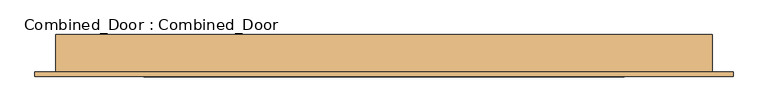
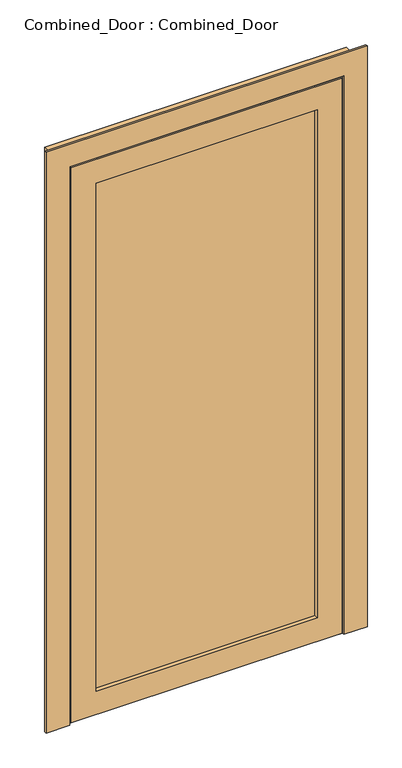
"""IFC4 building model written with IfcOpenShell, lengths in millimetres: door geometry, Combined_Door : Combined_Door."""

import ifcopenshell
import ifcopenshell.guid

model = None  # the IFC model being written
_history = None  # IfcOwnerHistory: only IFC2X3 demands one
_inside = {}  # id of a spatial element -> (the spatial element, [elements in it])
_under = {}  # id of a project, library or spatial element -> (it, [spatial elements below it])
_declared = {}  # id of a project -> (the project, [libraries it declares])
_typed = {}  # id of a type object -> (the type object, [elements of that type])
_made_of = {}  # id of a material, layer set ... -> (it, [elements and type objects made of it])


def new_model(schema):
    """Start an empty IFC model of exactly this schema.

    Asked for "IFC4X3", IfcOpenShell would pick the latest addendum, in which some entities
    have other attributes; the version numbers below select the first issue.
    IFC2X3 requires an IfcOwnerHistory on every rooted entity: one is made here for all.
    """
    global model, _history
    if schema == "IFC4X3":
        model = ifcopenshell.file(schema_version=(4, 3, 0, 0))
    else:
        model = ifcopenshell.file(schema=schema)
    _inside.clear()
    _under.clear()
    _declared.clear()
    _typed.clear()
    _made_of.clear()
    _history = None
    if model.schema == "IFC2X3":
        org = make("IfcOrganization", Name="unknown")
        user = make(
            "IfcPersonAndOrganization",
            ThePerson=make("IfcPerson", FamilyName="unknown"),
            TheOrganization=org,
        )
        app = make(
            "IfcApplication",
            ApplicationDeveloper=org,
            Version="unknown",
            ApplicationFullName="unknown",
            ApplicationIdentifier="unknown",
        )
        _history = make(
            "IfcOwnerHistory",
            OwningUser=user,
            OwningApplication=app,
            ChangeAction="ADDED",
            CreationDate=0,
        )
    return model


def make(cls, **values):
    """One entity of the class cls with the attributes given. An attribute that is None is left unset."""
    return model.create_entity(
        cls, **{name: value for name, value in values.items() if value is not None}
    )


def rooted(cls, **values):
    """An entity with a GlobalId (a new one), such as an element, a storey or a relation."""
    return make(cls, GlobalId=ifcopenshell.guid.new(), OwnerHistory=_history, **values)


def si_unit(unit_type, name, prefix=None):
    """IfcSIUnit, for example si_unit("LENGTHUNIT", "METRE", prefix="MILLI")."""
    return make("IfcSIUnit", UnitType=unit_type, Prefix=prefix, Name=name)


def assignment(units):
    """IfcUnitAssignment: the units of a project."""
    return None if units is None else make("IfcUnitAssignment", Units=units)


def point(xyz):
    """IfcCartesianPoint."""
    return None if xyz is None else make("IfcCartesianPoint", Coordinates=xyz)


def direction(xyz):
    """IfcDirection."""
    return None if xyz is None else make("IfcDirection", DirectionRatios=xyz)


def frame(location, z_axis=None, x_axis=None):
    """IfcAxis2Placement3D, a coordinate frame: its origin and axes. An axis left out is left unset."""
    return make(
        "IfcAxis2Placement3D",
        Location=point(location),
        Axis=direction(z_axis),
        RefDirection=direction(x_axis),
    )


def origin():
    """The frame at (0, 0, 0) with its axes left unset."""
    return frame((0.0, 0.0, 0.0))


def place(relative_to, where):
    """IfcLocalPlacement: puts the frame where relative to a parent placement (None: the world)."""
    return make(
        "IfcLocalPlacement", PlacementRelTo=relative_to, RelativePlacement=where
    )


def context(
    kind, dimensions, precision=None, world=None, true_north=None, identifier=None
):
    """IfcGeometricRepresentationContext, for example the 3D "Model" context."""
    return make(
        "IfcGeometricRepresentationContext",
        ContextIdentifier=identifier,
        ContextType=kind,
        CoordinateSpaceDimension=dimensions,
        Precision=precision,
        WorldCoordinateSystem=world,
        TrueNorth=true_north,
    )


def project(units=None, contexts=None):
    """IfcProject with its units and contexts."""
    return rooted(
        "IfcProject",
        Name="project",
        RepresentationContexts=contexts,
        UnitsInContext=assignment(units),
    )


def spatial(cls, under=None, at=None, **own):
    """A site, building, storey or space (cls), placed at a placement, below another one or the project."""
    s = rooted(cls, ObjectPlacement=at, **own)
    if under is not None:
        _under.setdefault(under.id(), (under, []))[1].append(s)
    return s


def polyline(points):
    """IfcPolyline through the points."""
    return make("IfcPolyline", Points=[point(p) for p in points])


def outline(outer, holes=None, kind="AREA"):
    """IfcArbitraryClosedProfileDef: a profile drawn as a closed curve; with holes, ...WithVoids."""
    if holes is None:
        return make("IfcArbitraryClosedProfileDef", ProfileType=kind, OuterCurve=outer)
    return make(
        "IfcArbitraryProfileDefWithVoids",
        ProfileType=kind,
        OuterCurve=outer,
        InnerCurves=holes,
    )


def extrude(swept, where, along, depth):
    """IfcExtrudedAreaSolid: the profile swept, set in the frame where, extruded along a direction by depth."""
    return make(
        "IfcExtrudedAreaSolid",
        SweptArea=swept,
        Position=where,
        ExtrudedDirection=direction(along),
        Depth=depth,
    )


def faces_of(points, faces, orient=None, outer=None):
    """IfcFace entities. A face is a list of loops; a loop is a list of indices into points, from 0.

    orient and outer hold one flag for each loop. By default every Orientation is true, the
    first loop of a face is its IfcFaceOuterBound and the others are IfcFaceBound.
    """
    made = []
    for i, loops in enumerate(faces):
        bounds = []
        for j, loop in enumerate(loops):
            is_outer = j == 0 if outer is None else outer[i][j]
            bounds.append(
                make(
                    "IfcFaceOuterBound" if is_outer else "IfcFaceBound",
                    Bound=make("IfcPolyLoop", Polygon=[points[k] for k in loop]),
                    Orientation=True if orient is None else orient[i][j],
                )
            )
        made.append(make("IfcFace", Bounds=bounds))
    return made


def faceted_brep(points, faces, orient=None, outer=None, voids=None):
    """IfcFacetedBrep: a solid bounded by flat faces; with voids (closed shells), ...WithVoids."""
    shared = [point(p) for p in points]
    hull = make("IfcClosedShell", CfsFaces=faces_of(shared, faces, orient, outer))
    if voids is None:
        return make("IfcFacetedBrep", Outer=hull)
    return make(
        "IfcFacetedBrepWithVoids",
        Outer=hull,
        Voids=[
            make(cls, CfsFaces=faces_of(shared, fs, o, b)) for cls, fs, o, b in voids
        ],
    )


def shape(context_of_items, identifier, shape_type, items):
    """IfcShapeRepresentation: the items that make up one representation, for example the "Body"."""
    return make(
        "IfcShapeRepresentation",
        ContextOfItems=context_of_items,
        RepresentationIdentifier=identifier,
        RepresentationType=shape_type,
        Items=items,
    )


def source(mapping_origin, context_of_items, identifier, shape_type, items):
    """IfcRepresentationMap: a shape defined once, which mapped items show again and again."""
    return make(
        "IfcRepresentationMap",
        MappingOrigin=mapping_origin,
        MappedRepresentation=shape(context_of_items, identifier, shape_type, items),
    )


def transform(
    local_origin,
    x_axis=None,
    y_axis=None,
    z_axis=None,
    scale=None,
    scale2=None,
    scale3=None,
    uniform=True,
):
    """IfcCartesianTransformationOperator3D, or its non-uniform kind. x_axis, y_axis, z_axis: its Axis1, 2, 3."""
    if uniform:
        return make(
            "IfcCartesianTransformationOperator3D",
            Axis1=direction(x_axis),
            Axis2=direction(y_axis),
            LocalOrigin=point(local_origin),
            Scale=scale,
            Axis3=direction(z_axis),
        )
    return make(
        "IfcCartesianTransformationOperator3DnonUniform",
        Axis1=direction(x_axis),
        Axis2=direction(y_axis),
        LocalOrigin=point(local_origin),
        Scale=scale,
        Axis3=direction(z_axis),
        Scale2=scale2,
        Scale3=scale3,
    )


def mapped(mapping_source, mapping_target):
    """IfcMappedItem: shows the shape of a source again, moved by a transform."""
    return make(
        "IfcMappedItem", MappingSource=mapping_source, MappingTarget=mapping_target
    )


def made_of(thing, what):
    """Note that an element or type object is made of a material, layer set ...; save() writes the relation."""
    if what is not None:
        _made_of.setdefault(what.id(), (what, []))[1].append(thing)
    return thing


def element(
    cls,
    number,
    at=None,
    inside=None,
    cuts=None,
    type_object=None,
    material=None,
    context=None,
    identifier="Body",
    shape_type=None,
    held_by="IfcProductDefinitionShape",
    body=None,
    shapes=None,
    **own,
):
    """One element of the class cls, such as IfcWall. Its Tag is "e" and its number.

    at: its placement. inside: the storey or other place that contains it. cuts: it is an
    opening in that element (IfcRelVoidsElement). A single representation is given by context,
    identifier, shape_type and body (its items); several are given by shapes. held_by: the class
    of the entity that holds the representations. save() writes the other relations.
    """
    e = rooted(cls, Tag="e%d" % number, ObjectPlacement=at, **own)
    if body is not None:
        shapes = [shape(context, identifier, shape_type, body)]
    if shapes is not None:
        e.Representation = make(held_by, Representations=shapes)
    if inside is not None:
        _inside.setdefault(inside.id(), (inside, []))[1].append(e)
    if cuts is not None:
        rooted(
            "IfcRelVoidsElement", RelatingBuildingElement=cuts, RelatedOpeningElement=e
        )
    if type_object is not None:
        _typed.setdefault(type_object.id(), (type_object, []))[1].append(e)
    return made_of(e, material)


def aggregate(whole, parts):
    """IfcRelAggregates: a whole, such as a stair, and the parts it consists of."""
    return rooted("IfcRelAggregates", RelatingObject=whole, RelatedObjects=parts)


def save(model, path):
    """Write the relations noted so far, then the file.

    IfcRelAggregates (storeys below a building ...), IfcRelContainedInSpatialStructure (elements
    in a storey), IfcRelDefinesByType, IfcRelAssociatesMaterial and IfcRelDeclares: one each for
    every whole, place, type object, material and project.
    """
    for whole, parts in _under.values():
        aggregate(whole, parts)
    for where, things in _inside.values():
        rooted(
            "IfcRelContainedInSpatialStructure",
            RelatedElements=things,
            RelatingStructure=where,
        )
    for kind, things in _typed.values():
        rooted("IfcRelDefinesByType", RelatedObjects=things, RelatingType=kind)
    for what, things in _made_of.values():
        rooted("IfcRelAssociatesMaterial", RelatedObjects=things, RelatingMaterial=what)
    for by, libraries in _declared.values():
        rooted("IfcRelDeclares", RelatingContext=by, RelatedDefinitions=libraries)
    model.write(path)


def combined_door_combined_door_43efa774(model_context):
    return source(origin(), model_context, "Body", "SolidModel", [
        faceted_brep([(429.5, 0.0, 2187.0), (429.5, 0.0, 104.0), (429.5, -75.0, 104.0), (429.5, -75.0, 2187.0), (525.5, -75.0, 2283.0), (-525.5, -75.0, 2283.0), (-525.5, -75.0, 8.0), (525.5, -75.0, 8.0), (-429.5, -75.0, 2187.0), (-429.5, -75.0, 104.0), (-429.5, 0.0, 104.0), (-500.5, 0.0, 2258.0), (500.5, 0.0, 2258.0), (500.5, 0.0, 33.0), (-500.5, 0.0, 33.0), (-429.5, 0.0, 2187.0), (500.5, -8.5, 2258.0), (500.5, -8.5, 33.0), (-500.5, -8.5, 33.0), (-513.0, -8.5, 2270.5), (513.0, -8.5, 2270.5), (513.0, -8.5, 20.5), (-513.0, -8.5, 20.5), (-500.5, -8.5, 2258.0), (513.0, -66.5, 2270.5), (513.0, -66.5, 20.5), (-513.0, -66.5, 20.5), (-525.5, -66.5, 2283.0), (525.5, -66.5, 2283.0), (525.5, -66.5, 8.0), (-525.5, -66.5, 8.0), (-513.0, -66.5, 2270.5)], [[[0, 1, 2, 3]], [[4, 5, 6, 7], [8, 3, 2, 9]], [[1, 10, 9, 2]], [[11, 12, 13, 14], [0, 15, 10, 1]], [[16, 17, 13, 12]], [[17, 18, 14, 13]], [[19, 20, 21, 22], [16, 23, 18, 17]], [[24, 25, 21, 20]], [[25, 26, 22, 21]], [[27, 28, 29, 30], [24, 31, 26, 25]], [[4, 7, 29, 28]], [[7, 6, 30, 29]], [[10, 15, 8, 9]], [[18, 23, 11, 14]], [[26, 31, 19, 22]], [[6, 5, 27, 30]], [[15, 0, 3, 8]], [[23, 16, 12, 11]], [[31, 24, 20, 19]], [[5, 4, 28, 27]]]),
        extrude(outline(polyline([(429.5, -41.8), (429.5, -59.8), (-429.5, -59.8), (-429.5, -41.8), (429.5, -41.8)])), frame((0.0, 0.0, 104.0), z_axis=(0.0, 0.0, 1.0), x_axis=(1.0, 0.0, 0.0)), (0.0, 0.0, 1.0), 2083.0),
        faceted_brep([(-623.5, -67.0, 0.0), (-586.0, -67.0, 0.0), (-586.0, 0.0, 0.0), (-507.5, 0.0, 0.0), (-507.5, -8.5, 0.0), (-520.0, -8.5, 0.0), (-520.0, -66.5, 0.0), (-532.5, -66.5, 0.0), (-532.5, -75.0, 0.0), (-623.5, -75.0, 0.0), (-623.5, -75.0, 2381.0), (-623.5, -67.0, 2381.0), (-532.5, -75.0, 2290.0), (532.5, -75.0, 2290.0), (532.5, -75.0, 0.0), (623.5, -75.0, 0.0), (623.5, -75.0, 2381.0), (-532.5, -66.5, 2290.0), (-520.0, -66.5, 2277.5), (520.0, -66.5, 2277.5), (520.0, -66.5, 0.0), (532.5, -66.5, 0.0), (532.5, -66.5, 2290.0), (-520.0, -8.5, 2277.5), (-507.5, -8.5, 2265.0), (507.5, -8.5, 2265.0), (507.5, -8.5, 0.0), (520.0, -8.5, 0.0), (520.0, -8.5, 2277.5), (-507.5, 0.0, 2265.0), (-586.0, 0.0, 2343.5), (586.0, 0.0, 2343.5), (586.0, 0.0, 0.0), (507.5, 0.0, 0.0), (507.5, 0.0, 2265.0), (-586.0, -67.0, 2343.5), (623.5, -67.0, 2381.0), (623.5, -67.0, 0.0), (586.0, -67.0, 0.0), (586.0, -67.0, 2343.5)], [[[0, 1, 2, 3, 4, 5, 6, 7, 8, 9]], [[9, 10, 11, 0]], [[8, 12, 13, 14, 15, 16, 10, 9]], [[7, 17, 12, 8]], [[6, 18, 19, 20, 21, 22, 17, 7]], [[5, 23, 18, 6]], [[4, 24, 25, 26, 27, 28, 23, 5]], [[3, 29, 24, 4]], [[2, 30, 31, 32, 33, 34, 29, 3]], [[1, 35, 30, 2]], [[0, 11, 36, 37, 38, 39, 35, 1]], [[16, 15, 37, 36]], [[37, 15, 14, 21, 20, 27, 26, 33, 32, 38]], [[22, 21, 14, 13]], [[28, 27, 20, 19]], [[34, 33, 26, 25]], [[39, 38, 32, 31]], [[10, 16, 36, 11]], [[17, 22, 13, 12]], [[23, 28, 19, 18]], [[29, 34, 25, 24]], [[35, 39, 31, 30]]]),
    ])


if __name__ == "__main__":
    model = new_model("IFC4")
    model_context = context("Model", 3, world=origin())
    ifc_project = project(units=[si_unit("LENGTHUNIT", "METRE", prefix="MILLI")], contexts=[model_context])
    site = spatial("IfcSite", under=ifc_project)
    building = spatial("IfcBuilding", under=site)
    placement = place(None, origin())
    combined_door_combined_door_shape = combined_door_combined_door_43efa774(model_context)
    element("IfcDoor", 1, ObjectType="Combined_Door : Combined_Door", at=placement, inside=building, context=model_context, shape_type="MappedRepresentation", body=[
        mapped(combined_door_combined_door_shape, transform((0.0, 0.0, 0.0), x_axis=(1.0, 0.0, 0.0), y_axis=(0.0, 1.0, 0.0), z_axis=(0.0, 0.0, 1.0))),
    ])
    save(model, "model.ifc")
